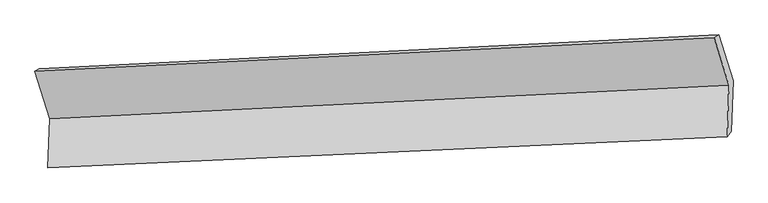
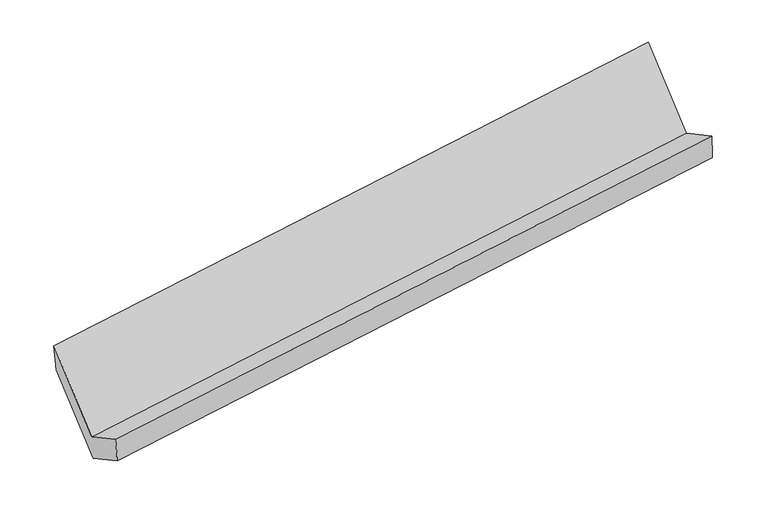
"""IFC4 building model written with IfcOpenShell, lengths in millimetres: proxy geometry."""

from ifc_helpers import new_model, si_unit, frame, origin, place, context, project, spatial, source, transform, mapped, element, save
from ifc_brep_helpers import plane_surface, spline_surface, advanced_brep


def generic_models_a1b099d9(model_context):
    return source(origin(), model_context, "Body", "AdvancedBrep", [
        advanced_brep(
        [(-5189.3990575, -1629.0083514, 1432.4776304), (-5200.9804446, -1969.3939059, 1622.7235593), (-498.6603006, -1754.2220014, 2314.470037), (-486.4851718, -1396.3859377, 2114.4707908), (-5172.448622, -1939.3070269, 1419.9651255), (-469.8316072, -1715.4098678, 2106.8349445), (-5160.8672349, -1598.9214724, 1229.7191966), (-457.9533492, -1366.2990587, 1911.712357), (-5259.5824693, -1281.0536345, 1792.4348435), (-556.6685836, -1048.4312207, 2474.4280038), (-5291.1341036, -1301.4165734, 2012.4073914), (-588.2202179, -1068.7941596, 2694.4005517)],
        [
            (0, 1),
            (1, 2),
            (2, 3),
            (3, 0),
            (1, 4),
            (4, 5),
            (5, 2),
            (4, 6),
            (6, 7),
            (7, 5),
            (6, 8),
            (8, 9),
            (9, 7),
            (8, 10),
            (10, 11),
            (11, 9),
            (10, 0),
            (3, 11),
        ],
        [
            plane_surface(frame((-5195.189751, -1799.2011287, 1527.6005949), z_axis=(-0.14891346920242687, 0.486296989112446, 0.8610110435239885), x_axis=(-0.029687085670408897, -0.8725254602480559, 0.4876658673347111))),
            spline_surface(1, 1, [[(-5200.9804446, -1969.3939059, 1622.7235593), (-498.6603006, -1754.2220014, 2314.470037)], [(-5172.448622, -1939.3070269, 1419.9651255), (-469.8316072, -1715.4098678, 2106.8349445)]], [2, 2], [2, 2], [0.0, 1.0], [0.0, 1.0]),
            plane_surface(frame((-5166.6579285, -1769.1142497, 1324.8421611), z_axis=(0.14891346920242776, -0.48629698911244507, -0.8610110435239888), x_axis=(0.029687085670408873, 0.8725254602480564, -0.48766586733471023))),
            plane_surface(frame((-5210.2248521, -1439.9875535, 1511.0770201), z_axis=(0.02761023618081649, 0.8724224752504345, -0.4879720274113513), x_axis=(-0.15099058662984086, 0.4861970052907089, 0.8607057074259022))),
            plane_surface(frame((-5275.3582864, -1291.2351039, 1902.4211174), z_axis=(-0.06127593595729374, 0.9946400602111027, 0.08328511449119731), x_axis=(-0.14138898423656518, -0.091250273072361, 0.9857395917790722))),
            plane_surface(frame((-5240.2665805, -1465.2124624, 1722.4425109), z_axis=(-0.027610236180817045, -0.8724224752504353, 0.48797202741135), x_axis=(0.15099058662984097, -0.4861970052907077, -0.860705707425903))),
            plane_surface(frame((-509.6365384, -1391.5903743, 2269.3861141), z_axis=(0.9880893277905468, 0.048081111314854666, 0.14617690324108795), x_axis=(-0.14138898423656518, -0.091250273072361, 0.9857395917790722))),
            plane_surface(frame((-5212.4019886, -1619.8501608, 1584.9546245), z_axis=(-0.9880893277905467, -0.048081111314858524, -0.1461769032410865), x_axis=(-0.1509905866298419, 0.4861970052906978, 0.8607057074259084))),
        ],
        [
            (0, [[1, 2, 3, 4]]),
            (1, [[5, 6, 7, -2]]),
            (2, [[8, 9, 10, -6]]),
            (3, [[11, 12, 13, -9]]),
            (4, [[14, 15, 16, -12]]),
            (5, [[17, -4, 18, -15]]),
            (6, [[-16, -18, -3, -7, -10, -13]]),
            (7, [[-17, -14, -11, -8, -5, -1]]),
        ],
    ),
    ])


if __name__ == "__main__":
    model = new_model("IFC4")
    model_context = context("Model", 3, world=origin())
    ifc_project = project(units=[si_unit("LENGTHUNIT", "METRE", prefix="MILLI")], contexts=[model_context])
    site = spatial("IfcSite", under=ifc_project)
    building = spatial("IfcBuilding", under=site)
    placement = place(None, origin())
    generic_models_shape = generic_models_a1b099d9(model_context)
    element("IfcBuildingElementProxy", 1, Name="Generic Models", at=placement, inside=building, context=model_context, shape_type="MappedRepresentation", body=[
        mapped(generic_models_shape, transform((0.0, 0.0, 0.0), x_axis=(1.0, 0.0, 0.0), y_axis=(0.0, 1.0, 0.0), z_axis=(0.0, 0.0, 1.0))),
    ])
    save(model, "model.ifc")
